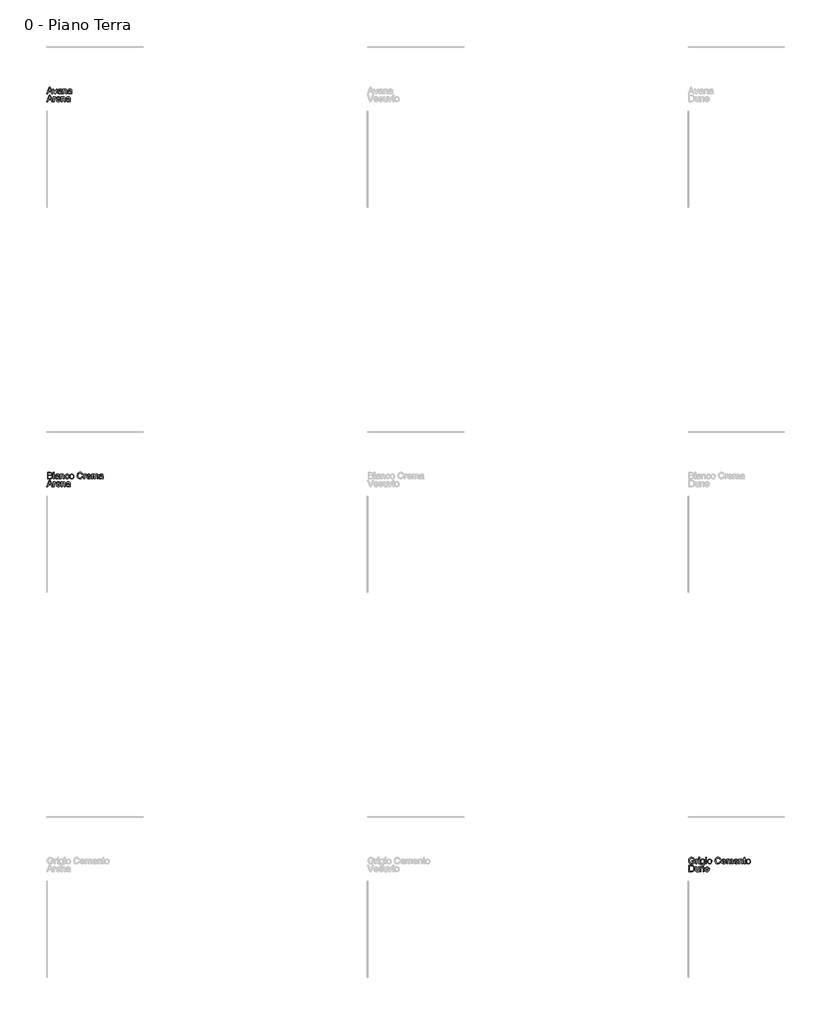
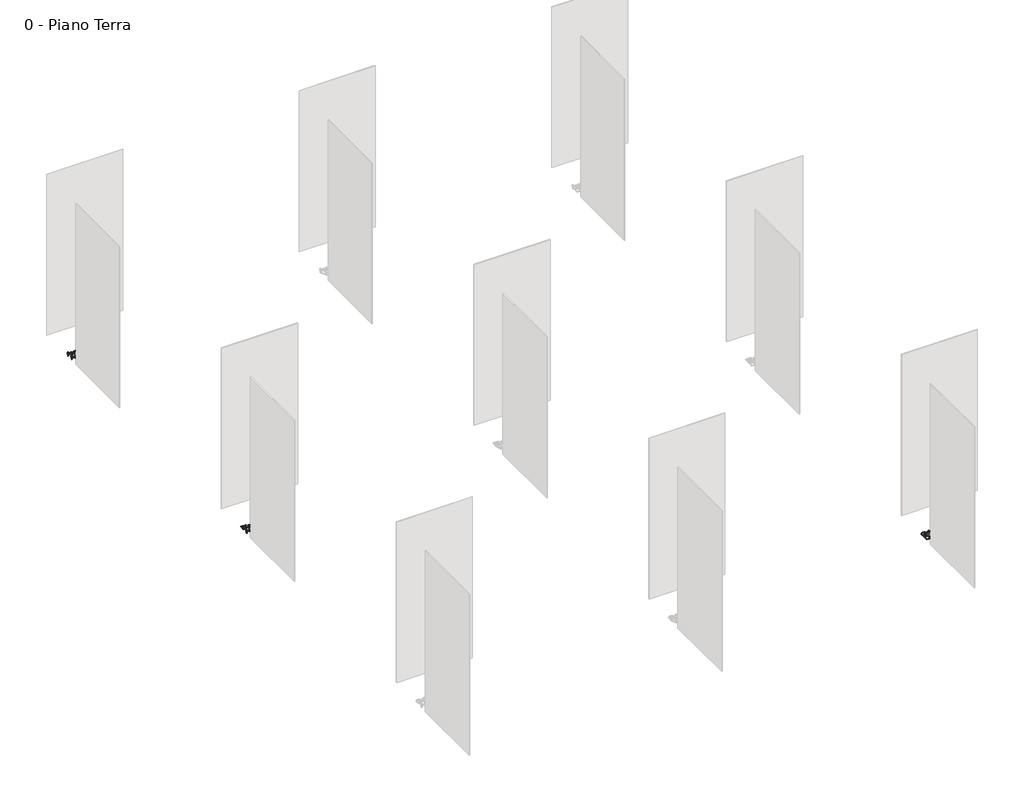
# One storey, part 5 of 35: 3 proxies.
"""IFC4 building model written with IfcOpenShell, lengths in millimetres."""

import ifcopenshell
import ifcopenshell.guid

model = None  # the IFC model being written
_history = None  # IfcOwnerHistory: only IFC2X3 demands one
_inside = {}  # id of a spatial element -> (the spatial element, [elements in it])
_under = {}  # id of a project, library or spatial element -> (it, [spatial elements below it])
_declared = {}  # id of a project -> (the project, [libraries it declares])
_typed = {}  # id of a type object -> (the type object, [elements of that type])
_made_of = {}  # id of a material, layer set ... -> (it, [elements and type objects made of it])


def new_model(schema):
    """Start an empty IFC model of exactly this schema.

    Asked for "IFC4X3", IfcOpenShell would pick the latest addendum, in which some entities
    have other attributes; the version numbers below select the first issue.
    IFC2X3 requires an IfcOwnerHistory on every rooted entity: one is made here for all.
    """
    global model, _history
    if schema == "IFC4X3":
        model = ifcopenshell.file(schema_version=(4, 3, 0, 0))
    else:
        model = ifcopenshell.file(schema=schema)
    _inside.clear()
    _under.clear()
    _declared.clear()
    _typed.clear()
    _made_of.clear()
    _history = None
    if model.schema == "IFC2X3":
        org = make("IfcOrganization", Name="unknown")
        user = make(
            "IfcPersonAndOrganization",
            ThePerson=make("IfcPerson", FamilyName="unknown"),
            TheOrganization=org,
        )
        app = make(
            "IfcApplication",
            ApplicationDeveloper=org,
            Version="unknown",
            ApplicationFullName="unknown",
            ApplicationIdentifier="unknown",
        )
        _history = make(
            "IfcOwnerHistory",
            OwningUser=user,
            OwningApplication=app,
            ChangeAction="ADDED",
            CreationDate=0,
        )
    return model


def make(cls, **values):
    """One entity of the class cls with the attributes given. An attribute that is None is left unset."""
    return model.create_entity(
        cls, **{name: value for name, value in values.items() if value is not None}
    )


def rooted(cls, **values):
    """An entity with a GlobalId (a new one), such as an element, a storey or a relation."""
    return make(cls, GlobalId=ifcopenshell.guid.new(), OwnerHistory=_history, **values)


def si_unit(unit_type, name, prefix=None):
    """IfcSIUnit, for example si_unit("LENGTHUNIT", "METRE", prefix="MILLI")."""
    return make("IfcSIUnit", UnitType=unit_type, Prefix=prefix, Name=name)


def assignment(units):
    """IfcUnitAssignment: the units of a project."""
    return None if units is None else make("IfcUnitAssignment", Units=units)


def point(xyz):
    """IfcCartesianPoint."""
    return None if xyz is None else make("IfcCartesianPoint", Coordinates=xyz)


def direction(xyz):
    """IfcDirection."""
    return None if xyz is None else make("IfcDirection", DirectionRatios=xyz)


def frame(location, z_axis=None, x_axis=None):
    """IfcAxis2Placement3D, a coordinate frame: its origin and axes. An axis left out is left unset."""
    return make(
        "IfcAxis2Placement3D",
        Location=point(location),
        Axis=direction(z_axis),
        RefDirection=direction(x_axis),
    )


def origin():
    """The frame at (0, 0, 0) with its axes left unset."""
    return frame((0.0, 0.0, 0.0))


def origin_with_axes():
    """The frame at (0, 0, 0) with the z axis (0, 0, 1) and the x axis (1, 0, 0) written out."""
    return frame((0.0, 0.0, 0.0), z_axis=(0.0, 0.0, 1.0), x_axis=(1.0, 0.0, 0.0))


def place(relative_to, where):
    """IfcLocalPlacement: puts the frame where relative to a parent placement (None: the world)."""
    return make(
        "IfcLocalPlacement", PlacementRelTo=relative_to, RelativePlacement=where
    )


def context(
    kind, dimensions, precision=None, world=None, true_north=None, identifier=None
):
    """IfcGeometricRepresentationContext, for example the 3D "Model" context."""
    return make(
        "IfcGeometricRepresentationContext",
        ContextIdentifier=identifier,
        ContextType=kind,
        CoordinateSpaceDimension=dimensions,
        Precision=precision,
        WorldCoordinateSystem=world,
        TrueNorth=true_north,
    )


def project(units=None, contexts=None):
    """IfcProject with its units and contexts."""
    return rooted(
        "IfcProject",
        Name="project",
        RepresentationContexts=contexts,
        UnitsInContext=assignment(units),
    )


def spatial(cls, under=None, at=None, **own):
    """A site, building, storey or space (cls), placed at a placement, below another one or the project."""
    s = rooted(cls, ObjectPlacement=at, **own)
    if under is not None:
        _under.setdefault(under.id(), (under, []))[1].append(s)
    return s


def polyline(points):
    """IfcPolyline through the points."""
    return make("IfcPolyline", Points=[point(p) for p in points])


def outline(outer, holes=None, kind="AREA"):
    """IfcArbitraryClosedProfileDef: a profile drawn as a closed curve; with holes, ...WithVoids."""
    if holes is None:
        return make("IfcArbitraryClosedProfileDef", ProfileType=kind, OuterCurve=outer)
    return make(
        "IfcArbitraryProfileDefWithVoids",
        ProfileType=kind,
        OuterCurve=outer,
        InnerCurves=holes,
    )


def extrude(swept, where, along, depth):
    """IfcExtrudedAreaSolid: the profile swept, set in the frame where, extruded along a direction by depth."""
    return make(
        "IfcExtrudedAreaSolid",
        SweptArea=swept,
        Position=where,
        ExtrudedDirection=direction(along),
        Depth=depth,
    )


def shape(context_of_items, identifier, shape_type, items):
    """IfcShapeRepresentation: the items that make up one representation, for example the "Body"."""
    return make(
        "IfcShapeRepresentation",
        ContextOfItems=context_of_items,
        RepresentationIdentifier=identifier,
        RepresentationType=shape_type,
        Items=items,
    )


def made_of(thing, what):
    """Note that an element or type object is made of a material, layer set ...; save() writes the relation."""
    if what is not None:
        _made_of.setdefault(what.id(), (what, []))[1].append(thing)
    return thing


def element(
    cls,
    number,
    at=None,
    inside=None,
    cuts=None,
    type_object=None,
    material=None,
    context=None,
    identifier="Body",
    shape_type=None,
    held_by="IfcProductDefinitionShape",
    body=None,
    shapes=None,
    **own,
):
    """One element of the class cls, such as IfcWall. Its Tag is "e" and its number.

    at: its placement. inside: the storey or other place that contains it. cuts: it is an
    opening in that element (IfcRelVoidsElement). A single representation is given by context,
    identifier, shape_type and body (its items); several are given by shapes. held_by: the class
    of the entity that holds the representations. save() writes the other relations.
    """
    e = rooted(cls, Tag="e%d" % number, ObjectPlacement=at, **own)
    if body is not None:
        shapes = [shape(context, identifier, shape_type, body)]
    if shapes is not None:
        e.Representation = make(held_by, Representations=shapes)
    if inside is not None:
        _inside.setdefault(inside.id(), (inside, []))[1].append(e)
    if cuts is not None:
        rooted(
            "IfcRelVoidsElement", RelatingBuildingElement=cuts, RelatedOpeningElement=e
        )
    if type_object is not None:
        _typed.setdefault(type_object.id(), (type_object, []))[1].append(e)
    return made_of(e, material)


def aggregate(whole, parts):
    """IfcRelAggregates: a whole, such as a stair, and the parts it consists of."""
    return rooted("IfcRelAggregates", RelatingObject=whole, RelatedObjects=parts)


def save(model, path):
    """Write the relations noted so far, then the file.

    IfcRelAggregates (storeys below a building ...), IfcRelContainedInSpatialStructure (elements
    in a storey), IfcRelDefinesByType, IfcRelAssociatesMaterial and IfcRelDeclares: one each for
    every whole, place, type object, material and project.
    """
    for whole, parts in _under.values():
        aggregate(whole, parts)
    for where, things in _inside.values():
        rooted(
            "IfcRelContainedInSpatialStructure",
            RelatedElements=things,
            RelatingStructure=where,
        )
    for kind, things in _typed.values():
        rooted("IfcRelDefinesByType", RelatedObjects=things, RelatingType=kind)
    for what, things in _made_of.values():
        rooted("IfcRelAssociatesMaterial", RelatedObjects=things, RelatingMaterial=what)
    for by, libraries in _declared.values():
        rooted("IfcRelDeclares", RelatingContext=by, RelatedDefinitions=libraries)
    model.write(path)


model = new_model("IFC4")

# Units and contexts
model_context = context("Model", 3, world=origin())
ifc_project = project(units=[si_unit("LENGTHUNIT", "METRE", prefix="MILLI")], contexts=[model_context])

# Site, building, storey
site = spatial("IfcSite", under=ifc_project)
building = spatial("IfcBuilding", under=site)
storey = spatial("IfcBuildingStorey", under=building, Name="0 - Piano Terra", Elevation=0.0)

# Proxies
placement = place(None, origin())
element("IfcBuildingElementProxy", 1, Name="Testo modello 1", ObjectType="Testo modello 1", at=placement, inside=storey, context=model_context, shape_type="SweptSolid", body=[
    extrude(outline(polyline([(-12279.9693984, -48273.7592352), (-12239.8702609, -48173.302925), (-12229.1771576, -48173.302925), (-12189.0780201, -48273.7592352), (-12202.3462974, -48273.7592352), (-12213.8487411, -48242.3666382), (-12255.2232028, -48242.3666382), (-12266.7011211, -48273.7592352), (-12279.9693984, -48273.7592352)]), holes=[polyline([(-12250.6124152, -48229.8095995), (-12218.4350033, -48229.8095995), (-12227.4849004, -48205.1124549), (-12234.5237092, -48185.8599638), (-12240.7777032, -48202.9542138), (-12250.6124152, -48229.8095995)])]), origin_with_axes(), (0.0, 0.0, 1.0), 10.0),
    extrude(outline(polyline([(-12159.1324257, -48273.7592352), (-12185.0803691, -48199.9866324), (-12171.7875663, -48199.9866324), (-12156.0667424, -48244.1815227), (-12151.3333274, -48259.0439553), (-12146.6980143, -48245.0153886), (-12130.8790885, -48199.9866324), (-12117.5862857, -48199.9866324), (-12143.215398, -48273.7592352), (-12159.1324257, -48273.7592352)])), origin_with_axes(), (0.0, 0.0, 1.0), 10.0),
    extrude(outline(polyline([(-12059.5099814, -48264.3414561), (-12071.6868754, -48272.8517929), (-12085.1390937, -48275.328865), (-12095.6329276, -48273.8389429), (-12103.373778, -48269.3691767), (-12108.1470468, -48262.5817539), (-12109.7381365, -48254.1388621), (-12107.3346408, -48244.2060482), (-12101.0193332, -48236.9955611), (-12092.2269535, -48232.8752828), (-12081.3621719, -48230.9868218), (-12059.5835578, -48226.6703398), (-12059.5099814, -48223.8744366), (-12062.9680721, -48214.6038103), (-12076.8494861, -48210.9740413), (-12089.5536777, -48213.3897997), (-12095.6114679, -48221.9614502), (-12108.1685066, -48220.3918204), (-12102.7361158, -48208.1290872), (-12091.7977578, -48200.9431256), (-12075.2308053, -48198.4170025), (-12060.0127535, -48200.64882), (-12051.4165775, -48206.252889), (-12047.5660793, -48214.7754886), (-12046.9529426, -48225.7628975), (-12046.9529426, -48241.3856196), (-12046.3152805, -48263.2010219), (-12043.8136829, -48273.7592352), (-12056.3707217, -48273.7592352), (-12059.5099814, -48264.3414561)]), holes=[polyline([(-12059.5099814, -48239.2273785), (-12079.7680166, -48243.0778768), (-12090.5714845, -48245.1134905), (-12095.4643151, -48248.4244284), (-12097.1810977, -48253.2559453), (-12093.4409641, -48260.0494995), (-12082.4658179, -48262.7718262), (-12069.7616263, -48259.7674566), (-12061.5701206, -48252.4956558), (-12059.5835578, -48242.7835712), (-12059.5099814, -48239.2273785)])]), origin_with_axes(), (0.0, 0.0, 1.0), 10.0),
    extrude(outline(polyline([(-12029.6870143, -48273.7592352), (-12029.6870143, -48199.9866324), (-12017.1299756, -48199.9866324), (-12017.1299756, -48210.2873283), (-12007.5282555, -48201.384584), (-11994.4193937, -48198.4170025), (-11982.5613307, -48200.8082355), (-11974.4679268, -48207.0867549), (-11970.7032678, -48216.320593), (-11970.0410802, -48228.4606988), (-11970.0410802, -48273.7592352), (-11982.5981189, -48273.7592352), (-11982.5981189, -48230.152956), (-11984.0451215, -48219.0429197), (-11989.1586812, -48213.1690705), (-11997.7793826, -48210.9740413), (-12011.4032792, -48215.90366), (-12015.6983015, -48223.0467021), (-12017.1299756, -48234.6165909), (-12017.1299756, -48273.7592352), (-12029.6870143, -48273.7592352)])), origin_with_axes(), (0.0, 0.0, 1.0), 10.0),
    extrude(outline(polyline([(-11905.6862565, -48264.3414561), (-11917.8631505, -48272.8517929), (-11931.3153688, -48275.328865), (-11941.8092027, -48273.8389429), (-11949.550053, -48269.3691767), (-11954.3233219, -48262.5817539), (-11955.9144116, -48254.1388621), (-11953.5109159, -48244.2060482), (-11947.1956083, -48236.9955611), (-11938.4032286, -48232.8752828), (-11927.538447, -48230.9868218), (-11905.7598329, -48226.6703398), (-11905.6862565, -48223.8744366), (-11909.1443472, -48214.6038103), (-11923.0257612, -48210.9740413), (-11935.7299528, -48213.3897997), (-11941.7877429, -48221.9614502), (-11954.3447817, -48220.3918204), (-11948.9123909, -48208.1290872), (-11937.9740329, -48200.9431256), (-11921.4070804, -48198.4170025), (-11906.1890285, -48200.64882), (-11897.5928526, -48206.252889), (-11893.7423544, -48214.7754886), (-11893.1292177, -48225.7628975), (-11893.1292177, -48241.3856196), (-11892.4915556, -48263.2010219), (-11889.989958, -48273.7592352), (-11902.5469968, -48273.7592352), (-11905.6862565, -48264.3414561)]), holes=[polyline([(-11905.6862565, -48239.2273785), (-11925.9442917, -48243.0778768), (-11936.7477596, -48245.1134905), (-11941.6405901, -48248.4244284), (-11943.3573728, -48253.2559453), (-11939.6172392, -48260.0494995), (-11928.642093, -48262.7718262), (-11915.9379014, -48259.7674566), (-11907.7463957, -48252.4956558), (-11905.7598329, -48242.7835712), (-11905.6862565, -48239.2273785)])]), origin_with_axes(), (0.0, 0.0, 1.0), 10.0),
    extrude(outline(polyline([(-12279.9693984, -48395.734053), (-12239.8702609, -48295.2777428), (-12229.1771576, -48295.2777428), (-12189.0780201, -48395.734053), (-12202.3462974, -48395.734053), (-12213.8487411, -48364.3414561), (-12255.2232028, -48364.3414561), (-12266.7011211, -48395.734053), (-12279.9693984, -48395.734053)]), holes=[polyline([(-12250.6124152, -48351.7844173), (-12218.4350033, -48351.7844173), (-12227.4849004, -48327.0872727), (-12234.5237092, -48307.8347816), (-12240.7777032, -48324.9290317), (-12250.6124152, -48351.7844173)])]), origin_with_axes(), (0.0, 0.0, 1.0), 10.0),
    extrude(outline(polyline([(-12177.2322199, -48395.734053), (-12177.2322199, -48321.9614502), (-12166.2448109, -48321.9614502), (-12166.2448109, -48332.8752828), (-12158.4457126, -48322.8198416), (-12150.5975634, -48320.3918204), (-12137.9914737, -48324.2668441), (-12142.1853284, -48335.5240331), (-12151.0144963, -48332.9488592), (-12158.1146188, -48335.4259313), (-12162.6395674, -48342.2930618), (-12164.6751811, -48356.9592907), (-12164.6751811, -48395.734053), (-12177.2322199, -48395.734053)])), origin_with_axes(), (0.0, 0.0, 1.0), 10.0),
    extrude(outline(polyline([(-12078.4926923, -48373.7592352), (-12066.1809082, -48375.328865), (-12070.616952, -48384.6056226), (-12077.6956147, -48391.5401983), (-12087.2574809, -48395.8628117), (-12099.143135, -48397.3036828), (-12113.8768089, -48394.8174137), (-12125.2137057, -48387.3586062), (-12132.4425869, -48375.4116384), (-12134.852214, -48359.4608883), (-12132.4180615, -48342.9736435), (-12125.1156039, -48330.6434653), (-12113.9319912, -48322.9547316), (-12099.8543735, -48320.3918204), (-12086.2151486, -48322.9486003), (-12075.3166445, -48330.6189399), (-12068.1705367, -48342.9245926), (-12065.7885008, -48359.3873119), (-12065.8620772, -48362.7718262), (-12122.2951752, -48362.7718262), (-12120.1216058, -48372.1712112), (-12115.0724254, -48379.0812613), (-12107.7852962, -48383.3302984), (-12098.8978803, -48384.7466441), (-12086.5860962, -48382.1224192), (-12078.4926923, -48373.7592352)]), holes=[polyline([(-12122.2951752, -48350.2147875), (-12078.3455395, -48350.2147875), (-12083.3732601, -48338.8349711), (-12090.6941119, -48334.4203871), (-12099.9034245, -48332.9488592), (-12115.366731, -48337.645486), (-12120.2319704, -48343.1361247), (-12122.2951752, -48350.2147875)])]), origin_with_axes(), (0.0, 0.0, 1.0), 10.0),
    extrude(outline(polyline([(-12053.231462, -48395.734053), (-12053.231462, -48321.9614502), (-12040.6744232, -48321.9614502), (-12040.6744232, -48332.2621461), (-12031.0727032, -48323.3594018), (-12017.9638414, -48320.3918204), (-12006.1057784, -48322.7830534), (-11998.0123745, -48329.0615727), (-11994.2477155, -48338.2954108), (-11993.5855279, -48350.4355167), (-11993.5855279, -48395.734053), (-12006.1425666, -48395.734053), (-12006.1425666, -48352.1277738), (-12007.5895691, -48341.0177376), (-12012.7031289, -48335.1438884), (-12021.3238303, -48332.9488592), (-12034.9477269, -48337.8784779), (-12039.2427491, -48345.02152), (-12040.6744232, -48356.5914087), (-12040.6744232, -48395.734053), (-12053.231462, -48395.734053)])), origin_with_axes(), (0.0, 0.0, 1.0), 10.0),
    extrude(outline(polyline([(-11929.2307042, -48386.3162739), (-11941.4075982, -48394.8266107), (-11954.8598165, -48397.3036828), (-11965.3536504, -48395.8137608), (-11973.0945007, -48391.3439945), (-11977.8677696, -48384.5565717), (-11979.4588592, -48376.1136799), (-11977.0553635, -48366.1808661), (-11970.740056, -48358.9703789), (-11961.9476763, -48354.8501006), (-11951.0828947, -48352.9616397), (-11929.3042806, -48348.6451576), (-11929.2307042, -48345.8492545), (-11932.6887949, -48336.5786282), (-11946.5702089, -48332.9488592), (-11959.2744004, -48335.3646176), (-11965.3321906, -48343.9362681), (-11977.8892294, -48342.3666382), (-11972.4568386, -48330.1039051), (-11961.5184806, -48322.9179434), (-11944.9515281, -48320.3918204), (-11929.7334762, -48322.6236378), (-11921.1373003, -48328.2277069), (-11917.2868021, -48336.7503064), (-11916.6736654, -48347.7377154), (-11916.6736654, -48363.3604374), (-11916.0360033, -48385.1758397), (-11913.5344057, -48395.734053), (-11926.0914445, -48395.734053), (-11929.2307042, -48386.3162739)]), holes=[polyline([(-11929.2307042, -48361.2021964), (-11949.4887394, -48365.0526946), (-11960.2922073, -48367.0883083), (-11965.1850378, -48370.3992463), (-11966.9018205, -48375.2307631), (-11963.1616869, -48382.0243173), (-11952.1865407, -48384.7466441), (-11939.4823491, -48381.7422744), (-11931.2908433, -48374.4704737), (-11929.3042806, -48364.758389), (-11929.2307042, -48361.2021964)])]), origin_with_axes(), (0.0, 0.0, 1.0), 10.0),
])
element("IfcBuildingElementProxy", 2, Name="Testo modello 1", ObjectType="Testo modello 1", at=placement, inside=storey, context=model_context, shape_type="SweptSolid", body=[
    extrude(outline(polyline([(-12268.2707509, -54273.7592352), (-12268.2707509, -54173.302925), (-12229.937447, -54173.302925), (-12211.1632025, -54176.2582437), (-12200.0776918, -54185.344929), (-12196.067778, -54198.1962733), (-12199.4400296, -54209.931709), (-12209.6303609, -54218.8221905), (-12197.2572631, -54228.1909187), (-12192.9285183, -54243.8136407), (-12195.883837, -54257.31491), (-12203.2046887, -54266.9288928), (-12214.130784, -54272.0301898), (-12230.2317526, -54273.7592352), (-12268.2707509, -54273.7592352)]), holes=[polyline([(-12255.7137122, -54214.113301), (-12232.7824011, -54214.113301), (-12219.3914965, -54213.0341805), (-12211.3348808, -54208.3866046), (-12208.6248168, -54200.2073616), (-12211.1509398, -54192.0158558), (-12218.3859524, -54187.1720762), (-12234.5237092, -54185.8599638), (-12255.7137122, -54185.8599638), (-12255.7137122, -54214.113301)]), polyline([(-12255.7137122, -54261.2021964), (-12229.9619725, -54261.2021964), (-12220.6422953, -54260.7116871), (-12212.7573579, -54257.9770976), (-12207.5334335, -54252.397554), (-12205.4855571, -54243.9362681), (-12207.8890528, -54234.1751325), (-12215.6758883, -54228.3503342), (-12231.1882458, -54226.6703398), (-12255.7137122, -54226.6703398), (-12255.7137122, -54261.2021964)])]), origin_with_axes(), (0.0, 0.0, 1.0), 10.0),
    extrude(outline(polyline([(-12177.2322199, -54185.8599638), (-12177.2322199, -54173.302925), (-12164.6751811, -54173.302925), (-12164.6751811, -54185.8599638), (-12177.2322199, -54185.8599638)])), origin_with_axes(), (0.0, 0.0, 1.0), 10.0),
    extrude(outline(polyline([(-12177.2322199, -54273.7592352), (-12177.2322199, -54199.9866324), (-12164.6751811, -54199.9866324), (-12164.6751811, -54273.7592352), (-12177.2322199, -54273.7592352)])), origin_with_axes(), (0.0, 0.0, 1.0), 10.0),
    extrude(outline(polyline([(-12098.7507275, -54264.3414561), (-12110.9276216, -54272.8517929), (-12124.3798399, -54275.328865), (-12134.8736738, -54273.8389429), (-12142.6145241, -54269.3691767), (-12147.387793, -54262.5817539), (-12148.9788826, -54254.1388621), (-12146.5753869, -54244.2060482), (-12140.2600793, -54236.9955611), (-12131.4676997, -54232.8752828), (-12120.6029181, -54230.9868218), (-12098.8243039, -54226.6703398), (-12098.7507275, -54223.8744366), (-12102.2088183, -54214.6038103), (-12116.0902323, -54210.9740413), (-12128.7944238, -54213.3897997), (-12134.852214, -54221.9614502), (-12147.4092528, -54220.3918204), (-12141.976862, -54208.1290872), (-12131.038504, -54200.9431256), (-12114.4715515, -54198.4170025), (-12099.2534996, -54200.64882), (-12090.6573237, -54206.252889), (-12086.8068254, -54214.7754886), (-12086.1936888, -54225.7628975), (-12086.1936888, -54241.3856196), (-12085.5560267, -54263.2010219), (-12083.0544291, -54273.7592352), (-12095.6114679, -54273.7592352), (-12098.7507275, -54264.3414561)]), holes=[polyline([(-12098.7507275, -54239.2273785), (-12119.0087627, -54243.0778768), (-12129.8122307, -54245.1134905), (-12134.7050612, -54248.4244284), (-12136.4218439, -54253.2559453), (-12132.6817102, -54260.0494995), (-12121.706564, -54262.7718262), (-12109.0023725, -54259.7674566), (-12100.8108667, -54252.4956558), (-12098.8243039, -54242.7835712), (-12098.7507275, -54239.2273785)])]), origin_with_axes(), (0.0, 0.0, 1.0), 10.0),
    extrude(outline(polyline([(-12068.9277605, -54273.7592352), (-12068.9277605, -54199.9866324), (-12056.3707217, -54199.9866324), (-12056.3707217, -54210.2873283), (-12046.7690016, -54201.384584), (-12033.6601399, -54198.4170025), (-12021.8020769, -54200.8082355), (-12013.708673, -54207.0867549), (-12009.9440139, -54216.320593), (-12009.2818263, -54228.4606988), (-12009.2818263, -54273.7592352), (-12021.8388651, -54273.7592352), (-12021.8388651, -54230.152956), (-12023.2858676, -54219.0429197), (-12028.3994273, -54213.1690705), (-12037.0201288, -54210.9740413), (-12050.6440253, -54215.90366), (-12054.9390476, -54223.0467021), (-12056.3707217, -54234.6165909), (-12056.3707217, -54273.7592352), (-12068.9277605, -54273.7592352)])), origin_with_axes(), (0.0, 0.0, 1.0), 10.0),
    extrude(outline(polyline([(-11944.9270026, -54247.0755278), (-11932.3699639, -54248.6451576), (-11935.8709742, -54259.8134419), (-11942.4499305, -54268.253268), (-11951.4875649, -54273.5599657), (-11962.3646092, -54275.328865), (-11975.7217913, -54272.8609899), (-11986.1665743, -54265.4573648), (-11992.9080119, -54253.442952), (-11995.1551577, -54237.1427139), (-11991.3169222, -54216.2838048), (-11979.6182748, -54202.8806374), (-11962.5362875, -54198.4170025), (-11951.9259576, -54199.9498442), (-11943.4432119, -54204.5483691), (-11937.3578306, -54211.9673227), (-11933.9395937, -54221.9614502), (-11946.4966325, -54223.5310801), (-11952.3214307, -54214.1255637), (-11962.4381856, -54210.9740413), (-11970.5530493, -54212.5252771), (-11976.9940499, -54217.1789843), (-11981.1971017, -54225.1865491), (-11982.5981189, -54236.7993574), (-11981.2277585, -54248.5685155), (-11977.1166772, -54256.6036714), (-11970.7921726, -54261.2297875), (-11962.7815421, -54262.7718262), (-11950.9480046, -54258.921328), (-11944.9270026, -54247.0755278)])), origin_with_axes(), (0.0, 0.0, 1.0), 10.0),
    extrude(outline(polyline([(-11924.5218146, -54236.8729338), (-11921.8056192, -54219.0858393), (-11913.657033, -54206.5839828), (-11903.5893291, -54200.4587476), (-11891.5350624, -54198.4170025), (-11878.3434272, -54200.9032717), (-11867.8066737, -54208.3620791), (-11860.8996892, -54220.2048137), (-11858.5973611, -54235.8428642), (-11862.6685885, -54258.185564), (-11874.5266515, -54270.8284419), (-11891.5350624, -54275.328865), (-11904.8861131, -54272.8517929), (-11915.4106039, -54265.4205766), (-11922.2440119, -54253.3295217), (-11924.5218146, -54236.8729338)]), holes=[polyline([(-11911.9647759, -54236.8484083), (-11910.511642, -54248.2128963), (-11906.1522403, -54256.3093658), (-11899.5916781, -54261.1562111), (-11891.5350624, -54262.7718262), (-11883.5152349, -54261.1470141), (-11876.9669354, -54256.2725776), (-11872.6075337, -54248.0688092), (-11871.1543999, -54236.4560008), (-11872.6167308, -54225.4226067), (-11877.0037236, -54217.4365017), (-11883.5612202, -54212.5896564), (-11891.5350624, -54210.9740413), (-11899.5916781, -54212.583525), (-11906.1522403, -54217.4119762), (-11910.511642, -54225.4900517), (-11911.9647759, -54236.8484083)])]), origin_with_axes(), (0.0, 0.0, 1.0), 10.0),
    extrude(outline(polyline([(-11733.0269734, -54238.0501562), (-11720.4699346, -54241.2875177), (-11726.2640761, -54255.9200241), (-11735.3568927, -54266.6100617), (-11747.3007948, -54273.1491642), (-11761.6481926, -54275.328865), (-11776.213254, -54273.6795274), (-11787.780077, -54268.7315146), (-11796.6460331, -54260.6565048), (-11803.1084935, -54249.6261763), (-11808.369206, -54222.7707906), (-11806.8823496, -54208.1229558), (-11802.4217804, -54195.4739466), (-11795.2204904, -54185.2253673), (-11785.5114714, -54177.7788226), (-11773.9967649, -54173.244677), (-11761.3784125, -54171.7332952), (-11747.6104288, -54173.6892011), (-11736.2275468, -54179.5569189), (-11727.5853856, -54188.974698), (-11722.0395645, -54201.5807877), (-11734.5966033, -54204.5728946), (-11744.8972991, -54189.1341135), (-11761.8689218, -54184.2903339), (-11781.5138204, -54189.6614111), (-11792.6115939, -54204.0823853), (-11795.8121673, -54222.7462652), (-11792.0229827, -54244.3777265), (-11780.2262334, -54258.1978268), (-11762.8989914, -54262.7718262), (-11752.4174202, -54261.2144591), (-11743.6832885, -54256.5423578), (-11737.0890038, -54248.8045731), (-11733.0269734, -54238.0501562)])), origin_with_axes(), (0.0, 0.0, 1.0), 10.0),
    extrude(outline(polyline([(-11704.7736362, -54273.7592352), (-11704.7736362, -54199.9866324), (-11693.7862273, -54199.9866324), (-11693.7862273, -54210.9004649), (-11685.987129, -54200.8450237), (-11678.1389797, -54198.4170025), (-11665.53289, -54202.2920262), (-11669.7267448, -54213.5492153), (-11678.5559127, -54210.9740413), (-11685.6560352, -54213.4511134), (-11690.1809837, -54220.318244), (-11692.2165974, -54234.9844729), (-11692.2165974, -54273.7592352), (-11704.7736362, -54273.7592352)])), origin_with_axes(), (0.0, 0.0, 1.0), 10.0),
    extrude(outline(polyline([(-11606.0341087, -54251.7844173), (-11593.7223246, -54253.3540472), (-11598.1583683, -54262.6308048), (-11605.237031, -54269.5653804), (-11614.7988972, -54273.8879938), (-11626.6845513, -54275.328865), (-11641.4182252, -54272.8425958), (-11652.7551221, -54265.3837884), (-11659.9840033, -54253.4368206), (-11662.3936303, -54237.4860704), (-11659.9594778, -54220.9988257), (-11652.6570202, -54208.6686475), (-11641.4734075, -54200.9799138), (-11627.3957899, -54198.4170025), (-11613.7565649, -54200.9737824), (-11602.8580608, -54208.644122), (-11595.711953, -54220.9497747), (-11593.3299171, -54237.412494), (-11593.4034935, -54240.7970084), (-11649.8365916, -54240.7970084), (-11647.6630221, -54250.1963934), (-11642.6138417, -54257.1064435), (-11635.3267125, -54261.3554805), (-11626.4392967, -54262.7718262), (-11614.1275126, -54260.1476013), (-11606.0341087, -54251.7844173)]), holes=[polyline([(-11649.8365916, -54228.2399696), (-11605.8869559, -54228.2399696), (-11610.9146765, -54216.8601532), (-11618.2355282, -54212.4455693), (-11627.4448408, -54210.9740413), (-11642.9081473, -54215.6706681), (-11647.7733867, -54221.1613069), (-11649.8365916, -54228.2399696)])]), origin_with_axes(), (0.0, 0.0, 1.0), 10.0),
    extrude(outline(polyline([(-11580.7728783, -54273.7592352), (-11580.7728783, -54199.9866324), (-11568.2158396, -54199.9866324), (-11568.2158396, -54212.1267382), (-11559.5828754, -54202.1816616), (-11547.2956168, -54198.4170025), (-11534.7140525, -54202.255238), (-11527.797871, -54213.009655), (-11517.9999472, -54202.0651657), (-11505.6268495, -54198.4170025), (-11496.1876106, -54199.9345158), (-11489.2070497, -54204.4870555), (-11484.8936333, -54212.1972489), (-11483.4558279, -54223.1877235), (-11483.4558279, -54273.7592352), (-11496.0128666, -54273.7592352), (-11496.0128666, -54228.5833261), (-11497.1778263, -54218.0986893), (-11501.3962065, -54212.9360786), (-11508.5699054, -54210.9740413), (-11520.9184777, -54216.0017619), (-11524.6064947, -54222.5439301), (-11525.8358337, -54232.1149933), (-11525.8358337, -54273.7592352), (-11538.3928725, -54273.7592352), (-11538.3928725, -54227.1853746), (-11541.2991403, -54215.0207433), (-11550.8272839, -54210.9740413), (-11560.1224357, -54213.6718426), (-11566.3028532, -54221.5690428), (-11568.2158396, -54236.5541027), (-11568.2158396, -54273.7592352), (-11580.7728783, -54273.7592352)])), origin_with_axes(), (0.0, 0.0, 1.0), 10.0),
    extrude(outline(polyline([(-11417.5313743, -54264.3414561), (-11429.7082684, -54272.8517929), (-11443.1604867, -54275.328865), (-11453.6543206, -54273.8389429), (-11461.3951709, -54269.3691767), (-11466.1684398, -54262.5817539), (-11467.7595294, -54254.1388621), (-11465.3560337, -54244.2060482), (-11459.0407261, -54236.9955611), (-11450.2483464, -54232.8752828), (-11439.3835649, -54230.9868218), (-11417.6049507, -54226.6703398), (-11417.5313743, -54223.8744366), (-11420.9894651, -54214.6038103), (-11434.8708791, -54210.9740413), (-11447.5750706, -54213.3897997), (-11453.6328608, -54221.9614502), (-11466.1898996, -54220.3918204), (-11460.7575088, -54208.1290872), (-11449.8191508, -54200.9431256), (-11433.2521983, -54198.4170025), (-11418.0341464, -54200.64882), (-11409.4379705, -54206.252889), (-11405.5874722, -54214.7754886), (-11404.9743356, -54225.7628975), (-11404.9743356, -54241.3856196), (-11404.3366735, -54263.2010219), (-11401.8350759, -54273.7592352), (-11414.3921147, -54273.7592352), (-11417.5313743, -54264.3414561)]), holes=[polyline([(-11417.5313743, -54239.2273785), (-11437.7894095, -54243.0778768), (-11448.5928775, -54245.1134905), (-11453.485708, -54248.4244284), (-11455.2024907, -54253.2559453), (-11451.462357, -54260.0494995), (-11440.4872108, -54262.7718262), (-11427.7830193, -54259.7674566), (-11419.5915135, -54252.4956558), (-11417.6049507, -54242.7835712), (-11417.5313743, -54239.2273785)])]), origin_with_axes(), (0.0, 0.0, 1.0), 10.0),
    extrude(outline(polyline([(-12279.9693984, -54395.734053), (-12239.8702609, -54295.2777428), (-12229.1771576, -54295.2777428), (-12189.0780201, -54395.734053), (-12202.3462974, -54395.734053), (-12213.8487411, -54364.3414561), (-12255.2232028, -54364.3414561), (-12266.7011211, -54395.734053), (-12279.9693984, -54395.734053)]), holes=[polyline([(-12250.6124152, -54351.7844173), (-12218.4350033, -54351.7844173), (-12227.4849004, -54327.0872727), (-12234.5237092, -54307.8347816), (-12240.7777032, -54324.9290317), (-12250.6124152, -54351.7844173)])]), origin_with_axes(), (0.0, 0.0, 1.0), 10.0),
    extrude(outline(polyline([(-12177.2322199, -54395.734053), (-12177.2322199, -54321.9614502), (-12166.2448109, -54321.9614502), (-12166.2448109, -54332.8752828), (-12158.4457126, -54322.8198416), (-12150.5975634, -54320.3918204), (-12137.9914737, -54324.2668441), (-12142.1853284, -54335.5240331), (-12151.0144963, -54332.9488592), (-12158.1146188, -54335.4259313), (-12162.6395674, -54342.2930618), (-12164.6751811, -54356.9592907), (-12164.6751811, -54395.734053), (-12177.2322199, -54395.734053)])), origin_with_axes(), (0.0, 0.0, 1.0), 10.0),
    extrude(outline(polyline([(-12078.4926923, -54373.7592352), (-12066.1809082, -54375.328865), (-12070.616952, -54384.6056226), (-12077.6956147, -54391.5401983), (-12087.2574809, -54395.8628117), (-12099.143135, -54397.3036828), (-12113.8768089, -54394.8174137), (-12125.2137057, -54387.3586062), (-12132.4425869, -54375.4116384), (-12134.852214, -54359.4608883), (-12132.4180615, -54342.9736435), (-12125.1156039, -54330.6434653), (-12113.9319912, -54322.9547316), (-12099.8543735, -54320.3918204), (-12086.2151486, -54322.9486003), (-12075.3166445, -54330.6189399), (-12068.1705367, -54342.9245926), (-12065.7885008, -54359.3873119), (-12065.8620772, -54362.7718262), (-12122.2951752, -54362.7718262), (-12120.1216058, -54372.1712112), (-12115.0724254, -54379.0812613), (-12107.7852962, -54383.3302984), (-12098.8978803, -54384.7466441), (-12086.5860962, -54382.1224192), (-12078.4926923, -54373.7592352)]), holes=[polyline([(-12122.2951752, -54350.2147875), (-12078.3455395, -54350.2147875), (-12083.3732601, -54338.8349711), (-12090.6941119, -54334.4203871), (-12099.9034245, -54332.9488592), (-12115.366731, -54337.645486), (-12120.2319704, -54343.1361247), (-12122.2951752, -54350.2147875)])]), origin_with_axes(), (0.0, 0.0, 1.0), 10.0),
    extrude(outline(polyline([(-12053.231462, -54395.734053), (-12053.231462, -54321.9614502), (-12040.6744232, -54321.9614502), (-12040.6744232, -54332.2621461), (-12031.0727032, -54323.3594018), (-12017.9638414, -54320.3918204), (-12006.1057784, -54322.7830534), (-11998.0123745, -54329.0615727), (-11994.2477155, -54338.2954108), (-11993.5855279, -54350.4355167), (-11993.5855279, -54395.734053), (-12006.1425666, -54395.734053), (-12006.1425666, -54352.1277738), (-12007.5895691, -54341.0177376), (-12012.7031289, -54335.1438884), (-12021.3238303, -54332.9488592), (-12034.9477269, -54337.8784779), (-12039.2427491, -54345.02152), (-12040.6744232, -54356.5914087), (-12040.6744232, -54395.734053), (-12053.231462, -54395.734053)])), origin_with_axes(), (0.0, 0.0, 1.0), 10.0),
    extrude(outline(polyline([(-11929.2307042, -54386.3162739), (-11941.4075982, -54394.8266107), (-11954.8598165, -54397.3036828), (-11965.3536504, -54395.8137608), (-11973.0945007, -54391.3439945), (-11977.8677696, -54384.5565717), (-11979.4588592, -54376.1136799), (-11977.0553635, -54366.1808661), (-11970.740056, -54358.9703789), (-11961.9476763, -54354.8501006), (-11951.0828947, -54352.9616397), (-11929.3042806, -54348.6451576), (-11929.2307042, -54345.8492545), (-11932.6887949, -54336.5786282), (-11946.5702089, -54332.9488592), (-11959.2744004, -54335.3646176), (-11965.3321906, -54343.9362681), (-11977.8892294, -54342.3666382), (-11972.4568386, -54330.1039051), (-11961.5184806, -54322.9179434), (-11944.9515281, -54320.3918204), (-11929.7334762, -54322.6236378), (-11921.1373003, -54328.2277069), (-11917.2868021, -54336.7503064), (-11916.6736654, -54347.7377154), (-11916.6736654, -54363.3604374), (-11916.0360033, -54385.1758397), (-11913.5344057, -54395.734053), (-11926.0914445, -54395.734053), (-11929.2307042, -54386.3162739)]), holes=[polyline([(-11929.2307042, -54361.2021964), (-11949.4887394, -54365.0526946), (-11960.2922073, -54367.0883083), (-11965.1850378, -54370.3992463), (-11966.9018205, -54375.2307631), (-11963.1616869, -54382.0243173), (-11952.1865407, -54384.7466441), (-11939.4823491, -54381.7422744), (-11931.2908433, -54374.4704737), (-11929.3042806, -54364.758389), (-11929.2307042, -54361.2021964)])]), origin_with_axes(), (0.0, 0.0, 1.0), 10.0),
])
element("IfcBuildingElementProxy", 3, Name="Testo modello 1", ObjectType="Testo modello 1", at=placement, inside=storey, context=model_context, shape_type="SweptSolid", body=[
    extrude(outline(polyline([(-2221.1818555, -60234.518489), (-2221.1818555, -60221.9614502), (-2180.3714795, -60221.9614502), (-2180.3714795, -60259.5099392), (-2200.5191501, -60271.3557394), (-2221.8195177, -60275.328865), (-2235.9063324, -60273.7500381), (-2248.6381151, -60269.0135574), (-2259.2147225, -60261.2849698), (-2266.8360111, -60250.7298223), (-2271.4437331, -60238.0685503), (-2272.9796405, -60224.0215894), (-2271.4498645, -60209.873461), (-2266.8605366, -60196.7124826), (-2259.4017292, -60185.6729571), (-2249.2635145, -60177.8891872), (-2236.9149422, -60173.2722682), (-2222.8250618, -60171.7332952), (-2203.1801632, -60175.3017505), (-2189.4091139, -60185.2345644), (-2181.8184821, -60201.8505678), (-2193.3945022, -60205.1124549), (-2199.1211986, -60193.4996465), (-2208.9068596, -60186.8041942), (-2223.0212655, -60184.2903339), (-2239.0977087, -60187.000398), (-2250.0360667, -60194.1127832), (-2256.4985271, -60203.7880797), (-2260.4226017, -60223.5065546), (-2255.7014494, -60245.3955333), (-2241.9671883, -60258.4921324), (-2222.8250618, -60262.7718262), (-2205.6449726, -60259.5467274), (-2192.9285183, -60252.6673341), (-2192.9285183, -60234.518489), (-2221.1818555, -60234.518489)])), origin_with_axes(), (0.0, 0.0, 1.0), 10.0),
    extrude(outline(polyline([(-2161.5359214, -60273.7592352), (-2161.5359214, -60199.9866324), (-2150.5485125, -60199.9866324), (-2150.5485125, -60210.9004649), (-2142.7494142, -60200.8450237), (-2134.9012649, -60198.4170025), (-2122.2951752, -60202.2920262), (-2126.48903, -60213.5492153), (-2135.3181979, -60210.9740413), (-2142.4183204, -60213.4511134), (-2146.9432689, -60220.318244), (-2148.9788826, -60234.9844729), (-2148.9788826, -60273.7592352), (-2161.5359214, -60273.7592352)])), origin_with_axes(), (0.0, 0.0, 1.0), 10.0),
    extrude(outline(polyline([(-2114.447026, -60185.8599638), (-2114.447026, -60173.302925), (-2101.8899872, -60173.302925), (-2101.8899872, -60185.8599638), (-2114.447026, -60185.8599638)])), origin_with_axes(), (0.0, 0.0, 1.0), 10.0),
    extrude(outline(polyline([(-2114.447026, -60273.7592352), (-2114.447026, -60199.9866324), (-2101.8899872, -60199.9866324), (-2101.8899872, -60273.7592352), (-2114.447026, -60273.7592352)])), origin_with_axes(), (0.0, 0.0, 1.0), 10.0),
    extrude(outline(polyline([(-2086.1936888, -60280.0377545), (-2073.63665, -60281.6073844), (-2069.5654226, -60288.2292603), (-2057.3762658, -60291.0251635), (-2044.5249215, -60287.8613783), (-2038.3935549, -60278.9831595), (-2037.5351635, -60264.3414561), (-2046.3765942, -60271.4047904), (-2057.1555366, -60273.7592352), (-2070.1019172, -60271.0185143), (-2079.7557539, -60262.7963517), (-2085.7614274, -60250.742085), (-2087.7633186, -60236.5050518), (-2084.1703378, -60217.0440942), (-2073.7715401, -60203.2730449), (-2057.7686733, -60198.4170025), (-2046.5666665, -60201.1638548), (-2037.5351635, -60209.4044115), (-2037.5351635, -60199.9866324), (-2024.9781248, -60199.9866324), (-2024.9781248, -60263.6792685), (-2028.4116901, -60288.0698448), (-2039.2887344, -60299.4128729), (-2057.6215205, -60303.5822022), (-2069.3048395, -60302.1137399), (-2078.5049551, -60297.708353), (-2084.4063954, -60290.3537788), (-2086.1936888, -60280.0377545)]), holes=[polyline([(-2075.2062799, -60235.6466605), (-2073.8665763, -60247.1644326), (-2069.8474655, -60255.0830925), (-2063.8050037, -60259.6724204), (-2056.3952472, -60261.2021964), (-2049.0406729, -60259.6816175), (-2042.9675543, -60255.1198807), (-2038.8932612, -60247.3023883), (-2037.5351635, -60236.0145424), (-2038.9331151, -60225.1283011), (-2043.1269699, -60217.2893489), (-2049.2889933, -60212.5528682), (-2056.5914509, -60210.9740413), (-2063.7620841, -60212.5283427), (-2069.7738891, -60217.191247), (-2073.8481822, -60224.9137032), (-2075.2062799, -60235.6466605)])]), origin_with_axes(), (0.0, 0.0, 1.0), 10.0),
    extrude(outline(polyline([(-2006.1425666, -60185.8599638), (-2006.1425666, -60173.302925), (-1993.5855279, -60173.302925), (-1993.5855279, -60185.8599638), (-2006.1425666, -60185.8599638)])), origin_with_axes(), (0.0, 0.0, 1.0), 10.0),
    extrude(outline(polyline([(-2006.1425666, -60273.7592352), (-2006.1425666, -60199.9866324), (-1993.5855279, -60199.9866324), (-1993.5855279, -60273.7592352), (-2006.1425666, -60273.7592352)])), origin_with_axes(), (0.0, 0.0, 1.0), 10.0),
    extrude(outline(polyline([(-1977.8892294, -60236.8729338), (-1975.173034, -60219.0858393), (-1967.0244478, -60206.5839828), (-1956.9567439, -60200.4587476), (-1944.9024772, -60198.4170025), (-1931.710842, -60200.9032717), (-1921.1740885, -60208.3620791), (-1914.267104, -60220.2048137), (-1911.9647759, -60235.8428642), (-1916.0360033, -60258.185564), (-1927.8940663, -60270.8284419), (-1944.9024772, -60275.328865), (-1958.2535279, -60272.8517929), (-1968.7780187, -60265.4205766), (-1975.6114267, -60253.3295217), (-1977.8892294, -60236.8729338)]), holes=[polyline([(-1965.3321906, -60236.8484083), (-1963.8790567, -60248.2128963), (-1959.5196551, -60256.3093658), (-1952.9590929, -60261.1562111), (-1944.9024772, -60262.7718262), (-1936.8826497, -60261.1470141), (-1930.3343502, -60256.2725776), (-1925.9749485, -60248.0688092), (-1924.5218146, -60236.4560008), (-1925.9841456, -60225.4226067), (-1930.3711384, -60217.4365017), (-1936.9286349, -60212.5896564), (-1944.9024772, -60210.9740413), (-1952.9590929, -60212.583525), (-1959.5196551, -60217.4119762), (-1963.8790567, -60225.4900517), (-1965.3321906, -60236.8484083)])]), origin_with_axes(), (0.0, 0.0, 1.0), 10.0),
    extrude(outline(polyline([(-1786.3943882, -60238.0501562), (-1773.8373494, -60241.2875177), (-1779.6314908, -60255.9200241), (-1788.7243075, -60266.6100617), (-1800.6682096, -60273.1491642), (-1815.0156074, -60275.328865), (-1829.5806687, -60273.6795274), (-1841.1474918, -60268.7315146), (-1850.0134479, -60260.6565048), (-1856.4759083, -60249.6261763), (-1861.7366208, -60222.7707906), (-1860.2497644, -60208.1229558), (-1855.7891952, -60195.4739466), (-1848.5879051, -60185.2253673), (-1838.8788862, -60177.7788226), (-1827.3641797, -60173.244677), (-1814.7458273, -60171.7332952), (-1800.9778436, -60173.6892011), (-1789.5949615, -60179.5569189), (-1780.9528003, -60188.974698), (-1775.4069793, -60201.5807877), (-1787.964018, -60204.5728946), (-1798.2647139, -60189.1341135), (-1815.2363366, -60184.2903339), (-1834.8812351, -60189.6614111), (-1845.9790087, -60204.0823853), (-1849.179582, -60222.7462652), (-1845.3903975, -60244.3777265), (-1833.5936482, -60258.1978268), (-1816.2664062, -60262.7718262), (-1805.784835, -60261.2144591), (-1797.0507033, -60256.5423578), (-1790.4564185, -60248.8045731), (-1786.3943882, -60238.0501562)])), origin_with_axes(), (0.0, 0.0, 1.0), 10.0),
    extrude(outline(polyline([(-1706.4904188, -60251.7844173), (-1694.1786347, -60253.3540472), (-1698.6146784, -60262.6308048), (-1705.6933412, -60269.5653804), (-1715.2552074, -60273.8879938), (-1727.1408615, -60275.328865), (-1741.8745354, -60272.8425958), (-1753.2114322, -60265.3837884), (-1760.4403134, -60253.4368206), (-1762.8499405, -60237.4860704), (-1760.4157879, -60220.9988257), (-1753.1133303, -60208.6686475), (-1741.9297177, -60200.9799138), (-1727.8521, -60198.4170025), (-1714.212875, -60200.9737824), (-1703.3143709, -60208.644122), (-1696.1682632, -60220.9497747), (-1693.7862273, -60237.412494), (-1693.8598037, -60240.7970084), (-1750.2929017, -60240.7970084), (-1748.1193323, -60250.1963934), (-1743.0701519, -60257.1064435), (-1735.7830227, -60261.3554805), (-1726.8956068, -60262.7718262), (-1714.5838227, -60260.1476013), (-1706.4904188, -60251.7844173)]), holes=[polyline([(-1750.2929017, -60228.2399696), (-1706.343266, -60228.2399696), (-1711.3709866, -60216.8601532), (-1718.6918383, -60212.4455693), (-1727.9011509, -60210.9740413), (-1743.3644575, -60215.6706681), (-1748.2296969, -60221.1613069), (-1750.2929017, -60228.2399696)])]), origin_with_axes(), (0.0, 0.0, 1.0), 10.0),
    extrude(outline(polyline([(-1681.2291885, -60273.7592352), (-1681.2291885, -60199.9866324), (-1668.6721497, -60199.9866324), (-1668.6721497, -60212.1267382), (-1660.0391856, -60202.1816616), (-1647.7519269, -60198.4170025), (-1635.1703627, -60202.255238), (-1628.2541812, -60213.009655), (-1618.4562574, -60202.0651657), (-1606.0831596, -60198.4170025), (-1596.6439207, -60199.9345158), (-1589.6633599, -60204.4870555), (-1585.3499435, -60212.1972489), (-1583.912138, -60223.1877235), (-1583.912138, -60273.7592352), (-1596.4691768, -60273.7592352), (-1596.4691768, -60228.5833261), (-1597.6341365, -60218.0986893), (-1601.8525167, -60212.9360786), (-1609.0262156, -60210.9740413), (-1621.3747879, -60216.0017619), (-1625.0628049, -60222.5439301), (-1626.2921439, -60232.1149933), (-1626.2921439, -60273.7592352), (-1638.8491826, -60273.7592352), (-1638.8491826, -60227.1853746), (-1641.7554504, -60215.0207433), (-1651.2835941, -60210.9740413), (-1660.5787458, -60213.6718426), (-1666.7591633, -60221.5690428), (-1668.6721497, -60236.5541027), (-1668.6721497, -60273.7592352), (-1681.2291885, -60273.7592352)])), origin_with_axes(), (0.0, 0.0, 1.0), 10.0),
    extrude(outline(polyline([(-1513.4259478, -60251.7844173), (-1501.1141636, -60253.3540472), (-1505.5502074, -60262.6308048), (-1512.6288701, -60269.5653804), (-1522.1907363, -60273.8879938), (-1534.0763904, -60275.328865), (-1548.8100643, -60272.8425958), (-1560.1469611, -60265.3837884), (-1567.3758423, -60253.4368206), (-1569.7854694, -60237.4860704), (-1567.3513169, -60220.9988257), (-1560.0488593, -60208.6686475), (-1548.8652466, -60200.9799138), (-1534.7876289, -60198.4170025), (-1521.148404, -60200.9737824), (-1510.2498999, -60208.644122), (-1503.1037921, -60220.9497747), (-1500.7217562, -60237.412494), (-1500.7953326, -60240.7970084), (-1557.2284306, -60240.7970084), (-1555.0548612, -60250.1963934), (-1550.0056808, -60257.1064435), (-1542.7185516, -60261.3554805), (-1533.8311358, -60262.7718262), (-1521.5193516, -60260.1476013), (-1513.4259478, -60251.7844173)]), holes=[polyline([(-1557.2284306, -60228.2399696), (-1513.278795, -60228.2399696), (-1518.3065156, -60216.8601532), (-1525.6273673, -60212.4455693), (-1534.8366799, -60210.9740413), (-1550.2999864, -60215.6706681), (-1555.1652258, -60221.1613069), (-1557.2284306, -60228.2399696)])]), origin_with_axes(), (0.0, 0.0, 1.0), 10.0),
    extrude(outline(polyline([(-1488.1647174, -60273.7592352), (-1488.1647174, -60199.9866324), (-1475.6076787, -60199.9866324), (-1475.6076787, -60210.2873283), (-1466.0059586, -60201.384584), (-1452.8970968, -60198.4170025), (-1441.0390338, -60200.8082355), (-1432.9456299, -60207.0867549), (-1429.1809709, -60216.320593), (-1428.5187833, -60228.4606988), (-1428.5187833, -60273.7592352), (-1441.075822, -60273.7592352), (-1441.075822, -60230.152956), (-1442.5228246, -60219.0429197), (-1447.6363843, -60213.1690705), (-1456.2570857, -60210.9740413), (-1469.8809823, -60215.90366), (-1474.1760046, -60223.0467021), (-1475.6076787, -60234.6165909), (-1475.6076787, -60273.7592352), (-1488.1647174, -60273.7592352)])), origin_with_axes(), (0.0, 0.0, 1.0), 10.0),
    extrude(outline(polyline([(-1384.5691476, -60263.286861), (-1382.9995177, -60274.1271171), (-1392.3927713, -60275.328865), (-1402.9141964, -60273.2442004), (-1408.1626462, -60267.7750214), (-1409.6832251, -60253.5257254), (-1409.6832251, -60212.5436712), (-1419.1010042, -60212.5436712), (-1419.1010042, -60199.9866324), (-1409.6832251, -60199.9866324), (-1409.6832251, -60182.0585165), (-1397.1261863, -60174.6763511), (-1397.1261863, -60199.9866324), (-1384.5691476, -60199.9866324), (-1384.5691476, -60212.5436712), (-1397.1261863, -60212.5436712), (-1397.1261863, -60253.1578434), (-1396.4639988, -60259.6325665), (-1394.3180204, -60261.9256976), (-1390.0383266, -60262.7718262), (-1384.5691476, -60263.286861)])), origin_with_axes(), (0.0, 0.0, 1.0), 10.0),
    extrude(outline(polyline([(-1375.1513685, -60236.8729338), (-1372.4351731, -60219.0858393), (-1364.2865869, -60206.5839828), (-1354.218883, -60200.4587476), (-1342.1646163, -60198.4170025), (-1328.9729811, -60200.9032717), (-1318.4362276, -60208.3620791), (-1311.5292431, -60220.2048137), (-1309.226915, -60235.8428642), (-1313.2981424, -60258.185564), (-1325.1562054, -60270.8284419), (-1342.1646163, -60275.328865), (-1355.515667, -60272.8517929), (-1366.0401578, -60265.4205766), (-1372.8735658, -60253.3295217), (-1375.1513685, -60236.8729338)]), holes=[polyline([(-1362.5943297, -60236.8484083), (-1361.1411959, -60248.2128963), (-1356.7817942, -60256.3093658), (-1350.221232, -60261.1562111), (-1342.1646163, -60262.7718262), (-1334.1447888, -60261.1470141), (-1327.5964893, -60256.2725776), (-1323.2370876, -60248.0688092), (-1321.7839537, -60236.4560008), (-1323.2462847, -60225.4226067), (-1327.6332775, -60217.4365017), (-1334.190774, -60212.5896564), (-1342.1646163, -60210.9740413), (-1350.221232, -60212.583525), (-1356.7817942, -60217.4119762), (-1361.1411959, -60225.4900517), (-1362.5943297, -60236.8484083)])]), origin_with_axes(), (0.0, 0.0, 1.0), 10.0),
    extrude(outline(polyline([(-2268.2707509, -60395.734053), (-2268.2707509, -60295.2777428), (-2233.616267, -60295.2777428), (-2215.6881511, -60296.7247454), (-2200.9238203, -60303.910707), (-2189.0289692, -60321.0785334), (-2185.0803691, -60344.9663377), (-2187.7536449, -60365.2366356), (-2194.6207755, -60379.8660763), (-2203.7932999, -60388.977287), (-2215.7985157, -60394.0172704), (-2231.9485353, -60395.734053), (-2268.2707509, -60395.734053)]), holes=[polyline([(-2255.7137122, -60383.1770142), (-2233.4936396, -60383.1770142), (-2217.3313573, -60381.3621297), (-2208.0116801, -60376.2363073), (-2200.3719973, -60363.7651076), (-2197.6374079, -60344.7701339), (-2198.9771114, -60331.0849237), (-2202.9962222, -60320.9804316), (-2216.0315076, -60309.8458699), (-2233.8369962, -60307.8347816), (-2255.7137122, -60307.8347816), (-2255.7137122, -60383.1770142)])]), origin_with_axes(), (0.0, 0.0, 1.0), 10.0),
    extrude(outline(polyline([(-2122.2951752, -60395.734053), (-2122.2951752, -60383.0543869), (-2132.1298872, -60393.7413589), (-2144.9567061, -60397.3036828), (-2156.7657182, -60394.8020853), (-2164.908173, -60388.5235659), (-2168.6483066, -60379.2774651), (-2169.3840706, -60367.6033431), (-2169.3840706, -60321.9614502), (-2156.8270319, -60321.9614502), (-2156.8270319, -60361.6927057), (-2156.0667424, -60374.4949991), (-2151.1003355, -60382.0120546), (-2141.74387, -60384.7466441), (-2131.2592332, -60381.9507409), (-2124.3307889, -60374.3355836), (-2122.2951752, -60360.3438051), (-2122.2951752, -60321.9614502), (-2109.7381365, -60321.9614502), (-2109.7381365, -60395.734053), (-2122.2951752, -60395.734053)])), origin_with_axes(), (0.0, 0.0, 1.0), 10.0),
    extrude(outline(polyline([(-2092.4722082, -60395.734053), (-2092.4722082, -60321.9614502), (-2079.9151694, -60321.9614502), (-2079.9151694, -60332.2621461), (-2070.3134493, -60323.3594018), (-2057.2045876, -60320.3918204), (-2045.3465246, -60322.7830534), (-2037.2531207, -60329.0615727), (-2033.4884616, -60338.2954108), (-2032.826274, -60350.4355167), (-2032.826274, -60395.734053), (-2045.3833128, -60395.734053), (-2045.3833128, -60352.1277738), (-2046.8303153, -60341.0177376), (-2051.943875, -60335.1438884), (-2060.5645764, -60332.9488592), (-2074.188473, -60337.8784779), (-2078.4834953, -60345.02152), (-2079.9151694, -60356.5914087), (-2079.9151694, -60395.734053), (-2092.4722082, -60395.734053)])), origin_with_axes(), (0.0, 0.0, 1.0), 10.0),
    extrude(outline(polyline([(-1963.9097136, -60373.7592352), (-1951.5979295, -60375.328865), (-1956.0339732, -60384.6056226), (-1963.1126359, -60391.5401983), (-1972.6745021, -60395.8628117), (-1984.5601562, -60397.3036828), (-1999.2938302, -60394.8174137), (-2010.630727, -60387.3586062), (-2017.8596082, -60375.4116384), (-2020.2692352, -60359.4608883), (-2017.8350827, -60342.9736435), (-2010.5326251, -60330.6434653), (-1999.3490125, -60322.9547316), (-1985.2713948, -60320.3918204), (-1971.6321698, -60322.9486003), (-1960.7336657, -60330.6189399), (-1953.5875579, -60342.9245926), (-1951.205522, -60359.3873119), (-1951.2790984, -60362.7718262), (-2007.7121965, -60362.7718262), (-2005.538627, -60372.1712112), (-2000.4894466, -60379.0812613), (-1993.2023174, -60383.3302984), (-1984.3149016, -60384.7466441), (-1972.0031175, -60382.1224192), (-1963.9097136, -60373.7592352)]), holes=[polyline([(-2007.7121965, -60350.2147875), (-1963.7625608, -60350.2147875), (-1968.7902814, -60338.8349711), (-1976.1111331, -60334.4203871), (-1985.3204457, -60332.9488592), (-2000.7837522, -60337.645486), (-2005.6489916, -60343.1361247), (-2007.7121965, -60350.2147875)])]), origin_with_axes(), (0.0, 0.0, 1.0), 10.0),
])

save(model, "model.ifc")
